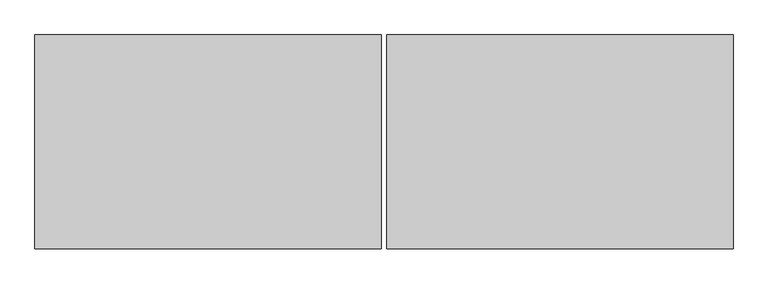
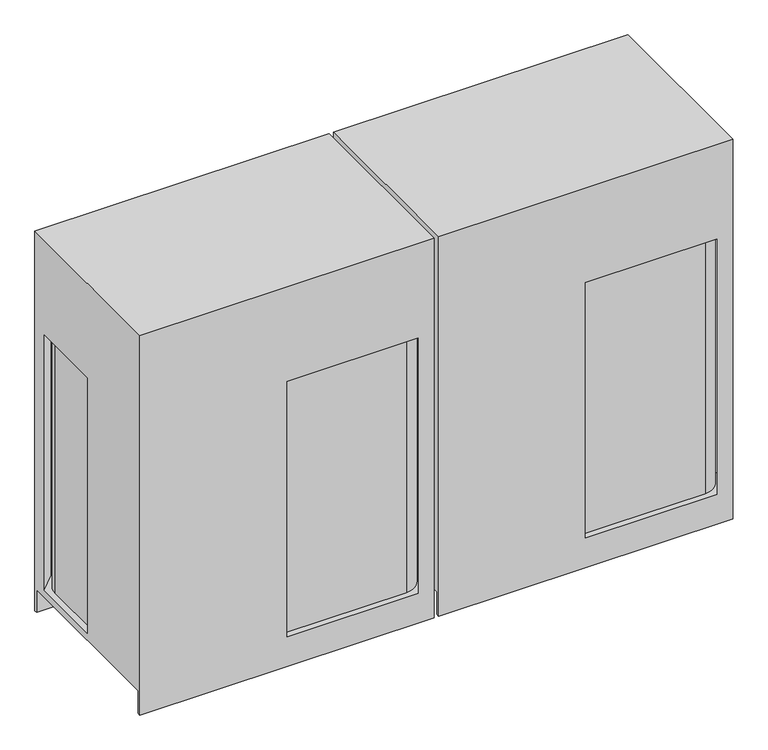
"""IFC4 building model written with IfcOpenShell, lengths in millimetres: proxy geometry."""

from ifc_helpers import new_model, si_unit, point, frame, frame_2d, origin, place, context, project, spatial, circle_curve, trimmed, segment, composite_curve, outline, extrude, source, transform, mapped, element, save
from ifc_brep_helpers import plane_surface, cylinder_surface, advanced_brep


def mechanical_equipment_686bf7dc(model_context):
    return source(origin(), model_context, "Body", "SolidModel", [
        extrude(outline(composite_curve([segment(trimmed(circle_curve(frame_2d((255.5875, -277.01875)), 14.2875), [point((269.875, -277.01875))], [point((241.3, -277.01875))], False, "CARTESIAN"), True, "CONTINUOUS"), segment(trimmed(circle_curve(frame_2d((255.5875, -277.01875)), 14.2875), [point((241.3, -277.01875))], [point((269.875, -277.01875))], False, "CARTESIAN"), True, "CONTINUOUS")], self_intersect=False)), frame((0.0, 0.0, 203.2), z_axis=(0.0, 0.0, 1.0), x_axis=(1.0, 0.0, 0.0)), (0.0, 0.0, 1.0), 6.35),
        extrude(outline(composite_curve([segment(trimmed(circle_curve(frame_2d((169.8625, -281.78125)), 17.4625), [point((152.4, -281.78125))], [point((187.325, -281.78125))], False, "CARTESIAN"), True, "CONTINUOUS"), segment(trimmed(circle_curve(frame_2d((169.8625, -281.78125)), 17.4625), [point((187.325, -281.78125))], [point((152.4, -281.78125))], False, "CARTESIAN"), True, "CONTINUOUS")], self_intersect=False)), frame((0.0, 0.0, 198.4375), z_axis=(0.0, 0.0, 1.0), x_axis=(1.0, 0.0, 0.0)), (0.0, 0.0, 1.0), 6.35),
        extrude(outline(composite_curve([segment(trimmed(circle_curve(frame_2d((111.125, -311.94375)), 9.525), [point((101.6, -311.94375))], [point((120.65, -311.94375))], False, "CARTESIAN"), True, "CONTINUOUS"), segment(trimmed(circle_curve(frame_2d((111.125, -311.94375)), 9.525), [point((120.65, -311.94375))], [point((101.6, -311.94375))], False, "CARTESIAN"), True, "CONTINUOUS")], self_intersect=False)), frame((0.0, 0.0, 307.975), z_axis=(0.0, 0.0, 1.0), x_axis=(1.0, 0.0, 0.0)), (0.0, 0.0, 1.0), 6.35),
        advanced_brep(
        [(1250.95, -383.38125, 0.0), (9.525, -383.38125, 0.0), (9.525, -370.68125, 0.0), (1250.95, -370.68125, 0.0), (9.525, 383.38125, 0.0), (1250.95, 383.38125, 0.0), (1250.95, 370.68125, 0.0), (9.525, 370.68125, 0.0), (1250.95, 383.38125, 1693.8625), (9.525, 383.38125, 1693.8625), (9.525, -383.38125, 1693.8625), (1250.95, -383.38125, 1693.8625), (1250.95, -370.68125, 101.6), (1250.95, 370.68125, 101.6), (1250.95, 316.70625, 131.7752), (1250.95, -316.70625, 131.7752), (1250.95, -316.70625, 1270.396875), (1250.95, 316.70625, 1270.396875), (1184.275, -383.38125, 131.7752), (630.2248, -383.38125, 131.7752), (630.2248, -383.38125, 1270.396875), (1184.275, -383.38125, 1270.396875), (9.525, 370.68125, 101.6), (9.525, -370.68125, 101.6), (9.525, 0.0, 131.7752), (9.525, 316.70625, 131.7752), (9.525, 316.70625, 1270.396875), (9.525, 0.0, 1270.396875), (76.2, 383.38125, 131.7752), (1184.275, 383.38125, 131.7752), (1184.275, 383.38125, 1270.396875), (76.2, 383.38125, 1270.396875), (34.925, 0.0, 131.7752), (34.925, 281.78125, 131.7752), (111.125, 357.98125, 131.7752), (1149.35, 357.98125, 131.7752), (1225.55, 281.78125, 131.7752), (1225.55, -281.78125, 131.7752), (1149.35, -357.98125, 131.7752), (630.2248, -357.98125, 131.7752), (630.2248, -357.98125, 1270.396875), (1149.35, -357.98125, 1270.396875), (1225.55, -281.78125, 1270.396875), (1225.55, 281.78125, 1270.396875), (1149.35, 357.98125, 1270.396875), (111.125, 357.98125, 1270.396875), (34.925, 281.78125, 1270.396875), (34.925, 0.0, 1270.396875)],
        [
            (0, 1),
            (1, 2),
            (2, 3),
            (3, 0),
            (4, 5),
            (5, 6),
            (6, 7),
            (7, 4),
            (8, 9),
            (9, 10),
            (10, 11),
            (11, 8),
            (11, 0),
            (3, 12),
            (12, 13),
            (13, 6),
            (5, 8),
            (14, 15),
            (15, 16),
            (16, 17),
            (17, 14),
            (10, 1),
            (18, 19),
            (19, 20),
            (20, 21),
            (21, 18),
            (9, 4),
            (7, 22),
            (22, 23),
            (23, 2),
            (24, 25),
            (25, 26),
            (26, 27),
            (27, 24),
            (28, 29),
            (29, 30),
            (30, 31),
            (31, 28),
            (22, 13),
            (12, 23),
            (28, 25),
            (24, 32),
            (32, 33),
            (33, 34, circle_curve(frame((111.125, 281.78125, 131.7752), z_axis=(0.0, 0.0, -1.0), x_axis=(1.0, 0.0, 0.0)), 76.2)),
            (34, 35),
            (35, 36, circle_curve(frame((1149.35, 281.78125, 131.7752), z_axis=(0.0, 0.0, -1.0), x_axis=(1.0, 0.0, 0.0)), 76.2)),
            (36, 37),
            (37, 38, circle_curve(frame((1149.35, -281.78125, 131.7752), z_axis=(0.0, 0.0, -1.0), x_axis=(1.0, 0.0, 0.0)), 76.2)),
            (38, 39),
            (39, 19),
            (18, 15),
            (14, 29),
            (30, 17),
            (16, 21),
            (20, 40),
            (40, 41),
            (41, 42, circle_curve(frame((1149.35, -281.78125, 1270.396875), z_axis=(0.0, 0.0, 1.0), x_axis=(1.0, 0.0, 0.0)), 76.2)),
            (42, 43),
            (43, 44, circle_curve(frame((1149.35, 281.78125, 1270.396875), z_axis=(0.0, 0.0, 1.0), x_axis=(1.0, 0.0, 0.0)), 76.2)),
            (44, 45),
            (45, 46, circle_curve(frame((111.125, 281.78125, 1270.396875), z_axis=(0.0, 0.0, 1.0), x_axis=(1.0, 0.0, 0.0)), 76.2)),
            (46, 47),
            (47, 27),
            (26, 31),
            (39, 40),
            (38, 41),
            (37, 42),
            (36, 43),
            (35, 44),
            (34, 45),
            (33, 46),
            (32, 47),
        ],
        [
            plane_surface(frame((630.2375, 21.6296875, 0.0), z_axis=(0.0, 0.0, -1.0), x_axis=(0.0, 1.0, 0.0))),
            plane_surface(frame((630.2375, 21.6296875, 1693.8625), z_axis=(0.0, 0.0, 1.0), x_axis=(0.0, 1.0, 0.0))),
            plane_surface(frame((1250.95, 383.38125, 0.0), z_axis=(1.0, 0.0, 0.0), x_axis=(0.0, 0.0, 1.0))),
            plane_surface(frame((1250.95, -383.38125, 0.0), z_axis=(0.0, -1.0, 0.0), x_axis=(0.0, 0.0, 1.0))),
            plane_surface(frame((9.525, -383.38125, 0.0), z_axis=(-1.0, 0.0, 0.0), x_axis=(0.0, 0.0, 1.0))),
            plane_surface(frame((9.525, 383.38125, 0.0), z_axis=(0.0, 1.0, 0.0), x_axis=(0.0, 0.0, 1.0))),
            plane_surface(frame((9.525, -370.68125, 101.6), z_axis=(0.0, 0.0, -1.0), x_axis=(1.0, 0.0, 0.0))),
            plane_surface(frame((9.525, 370.68125, 101.6), z_axis=(0.0, -1.0, 0.0), x_axis=(1.0, 0.0, 0.0))),
            plane_surface(frame((9.525, -370.68125, 0.0), z_axis=(0.0, 1.0, 0.0), x_axis=(1.0, 0.0, 0.0))),
            plane_surface(frame((630.2375, 1.8658473, 131.7752), z_axis=(0.0, 0.0, 1.0), x_axis=(0.0, 1.0, 0.0))),
            plane_surface(frame((630.2375, 1.8658473, 1270.396875), z_axis=(0.0, 0.0, -1.0), x_axis=(0.0, 1.0, 0.0))),
            plane_surface(frame((630.2248, -383.38125, 131.7752), z_axis=(1.0, 0.0, 0.0), x_axis=(0.0, 0.0, 1.0))),
            plane_surface(frame((630.2248, -357.98125, 131.7752), z_axis=(0.0, -1.0, 0.0), x_axis=(0.0, 0.0, 1.0))),
            cylinder_surface(frame((1149.35, -281.78125, 131.7752), z_axis=(0.0, 0.0, 1.0), x_axis=(1.0, 0.0, 0.0)), 76.2),
            plane_surface(frame((1225.55, -281.78125, 131.7752), z_axis=(1.0, 0.0, 0.0), x_axis=(0.0, 0.0, 1.0))),
            cylinder_surface(frame((1149.35, 281.78125, 131.7752), z_axis=(0.0, 0.0, 1.0), x_axis=(1.0, 0.0, 0.0)), 76.2),
            plane_surface(frame((1149.35, 357.98125, 131.7752), z_axis=(0.0, 1.0, 0.0), x_axis=(0.0, 0.0, 1.0))),
            cylinder_surface(frame((111.125, 281.78125, 131.7752), z_axis=(0.0, 0.0, 1.0), x_axis=(1.0, 0.0, 0.0)), 76.2),
            plane_surface(frame((34.925, 281.78125, 131.7752), z_axis=(-1.0, 0.0, 0.0), x_axis=(0.0, 0.0, 1.0))),
            plane_surface(frame((34.925, 0.0, 131.7752), z_axis=(0.0, 1.0, 0.0), x_axis=(0.0, 0.0, 1.0))),
            plane_surface(frame((1184.275, 383.38125, 131.7752), z_axis=(-0.7071067811865517, -0.7071067811865435, 0.0), x_axis=(0.0, 0.0, 1.0))),
            plane_surface(frame((1250.95, -316.70625, 131.7752), z_axis=(-0.7071067811865445, 0.7071067811865506, 0.0), x_axis=(0.0, 0.0, 1.0))),
            plane_surface(frame((9.525, 316.70625, 131.7752), z_axis=(0.7071067811865445, -0.7071067811865506, 0.0), x_axis=(0.0, 0.0, 1.0))),
        ],
        [
            (0, [[1, 2, 3, 4]]),
            (0, [[5, 6, 7, 8]]),
            (1, [[9, 10, 11, 12]]),
            (2, [[-12, 13, -4, 14, 15, 16, -6, 17], [18, 19, 20, 21]]),
            (3, [[-1, -13, -11, 22], [23, 24, 25, 26]]),
            (4, [[-10, 27, -8, 28, 29, 30, -2, -22], [31, 32, 33, 34]]),
            (5, [[-5, -27, -9, -17], [35, 36, 37, 38]]),
            (6, [[39, -15, 40, -29]]),
            (7, [[-39, -28, -7, -16]]),
            (8, [[-40, -14, -3, -30]]),
            (9, [[41, -31, 42, 43, 44, 45, 46, 47, 48, 49, 50, -23, 51, -18, 52, -35]]),
            (10, [[53, -20, 54, -25, 55, 56, 57, 58, 59, 60, 61, 62, 63, -33, 64, -37]]),
            (11, [[-50, 65, -55, -24]]),
            (12, [[-49, 66, -56, -65]]),
            (13, [[-48, 67, -57, -66]]),
            (14, [[-47, 68, -58, -67]]),
            (15, [[-46, 69, -59, -68]]),
            (16, [[-45, 70, -60, -69]]),
            (17, [[-44, 71, -61, -70]]),
            (18, [[-43, 72, -62, -71]]),
            (19, [[-42, -34, -63, -72]]),
            (20, [[-52, -21, -53, -36]]),
            (21, [[-51, -26, -54, -19]]),
            (22, [[-41, -38, -64, -32]]),
        ],
    ),
        extrude(outline(composite_curve([segment(trimmed(circle_curve(frame_2d((-1004.8875, -277.01875)), 14.2875), [point((-990.6, -277.01875))], [point((-1019.175, -277.01875))], False, "CARTESIAN"), True, "CONTINUOUS"), segment(trimmed(circle_curve(frame_2d((-1004.8875, -277.01875)), 14.2875), [point((-1019.175, -277.01875))], [point((-990.6, -277.01875))], False, "CARTESIAN"), True, "CONTINUOUS")], self_intersect=False)), frame((0.0, 0.0, 203.2), z_axis=(0.0, 0.0, 1.0), x_axis=(1.0, 0.0, 0.0)), (0.0, 0.0, 1.0), 6.35),
        extrude(outline(composite_curve([segment(trimmed(circle_curve(frame_2d((-1090.6125, -281.78125)), 17.4625), [point((-1108.075, -281.78125))], [point((-1073.15, -281.78125))], False, "CARTESIAN"), True, "CONTINUOUS"), segment(trimmed(circle_curve(frame_2d((-1090.6125, -281.78125)), 17.4625), [point((-1073.15, -281.78125))], [point((-1108.075, -281.78125))], False, "CARTESIAN"), True, "CONTINUOUS")], self_intersect=False)), frame((0.0, 0.0, 198.4375), z_axis=(0.0, 0.0, 1.0), x_axis=(1.0, 0.0, 0.0)), (0.0, 0.0, 1.0), 6.35),
        extrude(outline(composite_curve([segment(trimmed(circle_curve(frame_2d((-1149.35, -311.94375)), 9.525), [point((-1158.875, -311.94375))], [point((-1139.825, -311.94375))], False, "CARTESIAN"), True, "CONTINUOUS"), segment(trimmed(circle_curve(frame_2d((-1149.35, -311.94375)), 9.525), [point((-1139.825, -311.94375))], [point((-1158.875, -311.94375))], False, "CARTESIAN"), True, "CONTINUOUS")], self_intersect=False)), frame((0.0, 0.0, 307.975), z_axis=(0.0, 0.0, 1.0), x_axis=(1.0, 0.0, 0.0)), (0.0, 0.0, 1.0), 6.35),
        advanced_brep(
        [(-9.525, -383.38125, 0.0), (-1250.95, -383.38125, 0.0), (-1250.95, -370.68125, 0.0), (-9.525, -370.68125, 0.0), (-1250.95, 383.38125, 0.0), (-9.525, 383.38125, 0.0), (-9.525, 370.68125, 0.0), (-1250.95, 370.68125, 0.0), (-9.525, 383.38125, 1693.8625), (-1250.95, 383.38125, 1693.8625), (-1250.95, -383.38125, 1693.8625), (-9.525, -383.38125, 1693.8625), (-9.525, -370.68125, 101.6), (-9.525, 370.68125, 101.6), (-9.525, 316.70625, 131.7752), (-9.525, -316.70625, 131.7752), (-9.525, -316.70625, 1270.396875), (-9.525, 316.70625, 1270.396875), (-76.2, -383.38125, 131.7752), (-630.2502, -383.38125, 131.7752), (-630.2502, -383.38125, 1270.396875), (-76.2, -383.38125, 1270.396875), (-1250.95, 370.68125, 101.6), (-1250.95, -370.68125, 101.6), (-1250.95, 0.0, 131.7752), (-1250.95, 316.70625, 131.7752), (-1250.95, 316.70625, 1270.396875), (-1250.95, 0.0, 1270.396875), (-1184.275, 383.38125, 131.7752), (-76.2, 383.38125, 131.7752), (-76.2, 383.38125, 1270.396875), (-1184.275, 383.38125, 1270.396875), (-1225.55, 0.0, 131.7752), (-1225.55, 281.78125, 131.7752), (-1149.35, 357.98125, 131.7752), (-111.125, 357.98125, 131.7752), (-34.925, 281.78125, 131.7752), (-34.925, -281.78125, 131.7752), (-111.125, -357.98125, 131.7752), (-630.2502, -357.98125, 131.7752), (-630.2502, -357.98125, 1270.396875), (-111.125, -357.98125, 1270.396875), (-34.925, -281.78125, 1270.396875), (-34.925, 281.78125, 1270.396875), (-111.125, 357.98125, 1270.396875), (-1149.35, 357.98125, 1270.396875), (-1225.55, 281.78125, 1270.396875), (-1225.55, 0.0, 1270.396875)],
        [
            (0, 1),
            (1, 2),
            (2, 3),
            (3, 0),
            (4, 5),
            (5, 6),
            (6, 7),
            (7, 4),
            (8, 9),
            (9, 10),
            (10, 11),
            (11, 8),
            (11, 0),
            (3, 12),
            (12, 13),
            (13, 6),
            (5, 8),
            (14, 15),
            (15, 16),
            (16, 17),
            (17, 14),
            (10, 1),
            (18, 19),
            (19, 20),
            (20, 21),
            (21, 18),
            (9, 4),
            (7, 22),
            (22, 23),
            (23, 2),
            (24, 25),
            (25, 26),
            (26, 27),
            (27, 24),
            (28, 29),
            (29, 30),
            (30, 31),
            (31, 28),
            (22, 13),
            (12, 23),
            (28, 25),
            (24, 32),
            (32, 33),
            (33, 34, circle_curve(frame((-1149.35, 281.78125, 131.7752), z_axis=(0.0, 0.0, -1.0), x_axis=(1.0, 0.0, 0.0)), 76.2)),
            (34, 35),
            (35, 36, circle_curve(frame((-111.125, 281.78125, 131.7752), z_axis=(0.0, 0.0, -1.0), x_axis=(1.0, 0.0, 0.0)), 76.2)),
            (36, 37),
            (37, 38, circle_curve(frame((-111.125, -281.78125, 131.7752), z_axis=(0.0, 0.0, -1.0), x_axis=(1.0, 0.0, 0.0)), 76.2)),
            (38, 39),
            (39, 19),
            (18, 15),
            (14, 29),
            (30, 17),
            (16, 21),
            (20, 40),
            (40, 41),
            (41, 42, circle_curve(frame((-111.125, -281.78125, 1270.396875), z_axis=(0.0, 0.0, 1.0), x_axis=(1.0, 0.0, 0.0)), 76.2)),
            (42, 43),
            (43, 44, circle_curve(frame((-111.125, 281.78125, 1270.396875), z_axis=(0.0, 0.0, 1.0), x_axis=(1.0, 0.0, 0.0)), 76.2)),
            (44, 45),
            (45, 46, circle_curve(frame((-1149.35, 281.78125, 1270.396875), z_axis=(0.0, 0.0, 1.0), x_axis=(1.0, 0.0, 0.0)), 76.2)),
            (46, 47),
            (47, 27),
            (26, 31),
            (39, 40),
            (38, 41),
            (37, 42),
            (36, 43),
            (35, 44),
            (34, 45),
            (33, 46),
            (32, 47),
        ],
        [
            plane_surface(frame((-630.2375, 21.6296875, 0.0), z_axis=(0.0, 0.0, -1.0), x_axis=(0.0, 1.0, 0.0))),
            plane_surface(frame((-630.2375, 21.6296875, 1693.8625), z_axis=(0.0, 0.0, 1.0), x_axis=(0.0, 1.0, 0.0))),
            plane_surface(frame((-9.525, 383.38125, 0.0), z_axis=(1.0, 0.0, 0.0), x_axis=(0.0, 0.0, 1.0))),
            plane_surface(frame((-9.525, -383.38125, 0.0), z_axis=(0.0, -1.0, 0.0), x_axis=(0.0, 0.0, 1.0))),
            plane_surface(frame((-1250.95, -383.38125, 0.0), z_axis=(-1.0, 0.0, 0.0), x_axis=(0.0, 0.0, 1.0))),
            plane_surface(frame((-1250.95, 383.38125, 0.0), z_axis=(0.0, 1.0, 0.0), x_axis=(0.0, 0.0, 1.0))),
            plane_surface(frame((-1250.95, -370.68125, 101.6), z_axis=(0.0, 0.0, -1.0), x_axis=(1.0, 0.0, 0.0))),
            plane_surface(frame((-1250.95, 370.68125, 101.6), z_axis=(0.0, -1.0, 0.0), x_axis=(1.0, 0.0, 0.0))),
            plane_surface(frame((-1250.95, -370.68125, 0.0), z_axis=(0.0, 1.0, 0.0), x_axis=(1.0, 0.0, 0.0))),
            plane_surface(frame((-630.2375, 1.8658473, 131.7752), z_axis=(0.0, 0.0, 1.0), x_axis=(0.0, 1.0, 0.0))),
            plane_surface(frame((-630.2375, 1.8658473, 1270.396875), z_axis=(0.0, 0.0, -1.0), x_axis=(0.0, 1.0, 0.0))),
            plane_surface(frame((-630.2502, -383.38125, 131.7752), z_axis=(1.0, 0.0, 0.0), x_axis=(0.0, 0.0, 1.0))),
            plane_surface(frame((-630.2502, -357.98125, 131.7752), z_axis=(0.0, -1.0, 0.0), x_axis=(0.0, 0.0, 1.0))),
            cylinder_surface(frame((-111.125, -281.78125, 131.7752), z_axis=(0.0, 0.0, 1.0), x_axis=(1.0, 0.0, 0.0)), 76.2),
            plane_surface(frame((-34.925, -281.78125, 131.7752), z_axis=(1.0, 0.0, 0.0), x_axis=(0.0, 0.0, 1.0))),
            cylinder_surface(frame((-111.125, 281.78125, 131.7752), z_axis=(0.0, 0.0, 1.0), x_axis=(1.0, 0.0, 0.0)), 76.2),
            plane_surface(frame((-111.125, 357.98125, 131.7752), z_axis=(0.0, 1.0, 0.0), x_axis=(0.0, 0.0, 1.0))),
            cylinder_surface(frame((-1149.35, 281.78125, 131.7752), z_axis=(0.0, 0.0, 1.0), x_axis=(1.0, 0.0, 0.0)), 76.2),
            plane_surface(frame((-1225.55, 281.78125, 131.7752), z_axis=(-1.0, 0.0, 0.0), x_axis=(0.0, 0.0, 1.0))),
            plane_surface(frame((-1225.55, 0.0, 131.7752), z_axis=(0.0, 1.0, 0.0), x_axis=(0.0, 0.0, 1.0))),
            plane_surface(frame((-76.2, 383.38125, 131.7752), z_axis=(-0.7071067811865517, -0.7071067811865435, 0.0), x_axis=(0.0, 0.0, 1.0))),
            plane_surface(frame((-9.525, -316.70625, 131.7752), z_axis=(-0.7071067811865445, 0.7071067811865506, 0.0), x_axis=(0.0, 0.0, 1.0))),
            plane_surface(frame((-1250.95, 316.70625, 131.7752), z_axis=(0.7071067811865445, -0.7071067811865506, 0.0), x_axis=(0.0, 0.0, 1.0))),
        ],
        [
            (0, [[1, 2, 3, 4]]),
            (0, [[5, 6, 7, 8]]),
            (1, [[9, 10, 11, 12]]),
            (2, [[-12, 13, -4, 14, 15, 16, -6, 17], [18, 19, 20, 21]]),
            (3, [[-1, -13, -11, 22], [23, 24, 25, 26]]),
            (4, [[-10, 27, -8, 28, 29, 30, -2, -22], [31, 32, 33, 34]]),
            (5, [[-5, -27, -9, -17], [35, 36, 37, 38]]),
            (6, [[39, -15, 40, -29]]),
            (7, [[-39, -28, -7, -16]]),
            (8, [[-40, -14, -3, -30]]),
            (9, [[41, -31, 42, 43, 44, 45, 46, 47, 48, 49, 50, -23, 51, -18, 52, -35]]),
            (10, [[53, -20, 54, -25, 55, 56, 57, 58, 59, 60, 61, 62, 63, -33, 64, -37]]),
            (11, [[-50, 65, -55, -24]]),
            (12, [[-49, 66, -56, -65]]),
            (13, [[-48, 67, -57, -66]]),
            (14, [[-47, 68, -58, -67]]),
            (15, [[-46, 69, -59, -68]]),
            (16, [[-45, 70, -60, -69]]),
            (17, [[-44, 71, -61, -70]]),
            (18, [[-43, 72, -62, -71]]),
            (19, [[-42, -34, -63, -72]]),
            (20, [[-52, -21, -53, -36]]),
            (21, [[-51, -26, -54, -19]]),
            (22, [[-41, -38, -64, -32]]),
        ],
    ),
    ])


if __name__ == "__main__":
    model = new_model("IFC4")
    model_context = context("Model", 3, world=origin())
    ifc_project = project(units=[si_unit("LENGTHUNIT", "METRE", prefix="MILLI")], contexts=[model_context])
    site = spatial("IfcSite", under=ifc_project)
    building = spatial("IfcBuilding", under=site)
    placement = place(None, origin())
    mechanical_equipment_shape = mechanical_equipment_686bf7dc(model_context)
    element("IfcBuildingElementProxy", 1, Name="Mechanical Equipment", at=placement, inside=building, context=model_context, shape_type="MappedRepresentation", body=[
        mapped(mechanical_equipment_shape, transform((0.0, 0.0, 0.0), x_axis=(1.0, 0.0, 0.0), y_axis=(0.0, 1.0, 0.0), z_axis=(0.0, 0.0, 1.0))),
    ])
    save(model, "model.ifc")
